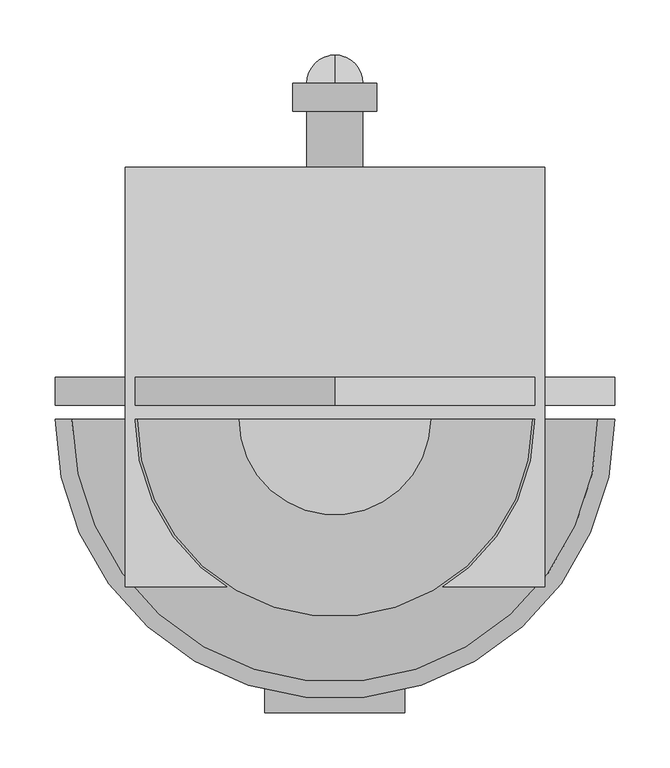
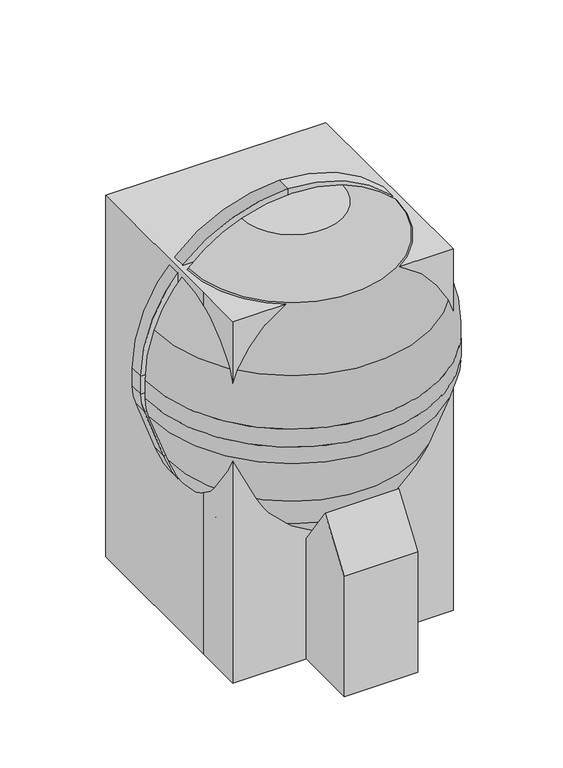
"""IFC4 building model written with IfcOpenShell, lengths in millimetres: proxy geometry."""

from ifc_helpers import new_model, si_unit, point, frame, frame_2d, origin, origin_with_axes, place, context, project, spatial, polyline, circle_curve, ellipse_curve, trimmed, segment, composite_curve, outline, extrude, source, transform, mapped, element, save
from ifc_brep_helpers import plane_surface, cylinder_surface, revolved_surface, advanced_brep


def specialty_equipment_d03767b9(model_context):
    return source(origin(), model_context, "Body", "SolidModel", [
        advanced_brep(
        [(-86.8731164, -38.1, 721.2819257), (0.0, -38.1, 736.6), (0.0, -38.1, 711.2), (-78.1858048, -38.1, 697.4137331), (-161.6446102, -38.1, 644.2446102), (-214.8137331, -38.1, 560.7858048), (-228.6, -38.1, 482.6), (-228.6, -38.1, 449.7148212), (-224.0045777, -38.1, 423.6528863), (-191.7324129, -38.1, 334.9858422), (-158.0533758, -38.1, 270.2890139), (-120.1697426, -38.1, 216.1855786), (-63.2399099, -38.1, 176.3228806), (0.0, -38.1, 159.3777978), (0.0, -38.1, 133.0817829), (-78.7437471, -38.1, 154.1811063), (-135.6735798, -38.1, 194.0438043), (-180.7778621, -38.1, 258.4593951), (-214.4568992, -38.1, 323.1562234), (-247.8727703, -38.1, 414.9655747), (-254.0, -38.1, 449.7148212), (-254.0, -38.1, 482.6), (-238.6819257, -38.1, 569.4731164), (-179.6051224, -38.1, 662.2051224), (86.8731164, -38.1, 721.2819257), (179.6051224, -38.1, 662.2051224), (238.6819257, -38.1, 569.4731164), (254.0, -38.1, 482.6), (254.0, -38.1, 449.7148212), (247.8727703, -38.1, 414.9655747), (214.4568992, -38.1, 323.1562234), (180.7778621, -38.1, 258.4593951), (135.6735798, -38.1, 194.0438043), (78.7437471, -38.1, 154.1811063), (63.2399099, -38.1, 176.3228806), (120.1697426, -38.1, 216.1855786), (158.0533758, -38.1, 270.2890139), (191.7324129, -38.1, 334.9858422), (224.0045777, -38.1, 423.6528863), (228.6, -38.1, 449.7148212), (228.6, -38.1, 482.6), (214.8137331, -38.1, 560.7858048), (161.6446102, -38.1, 644.2446102), (78.1858048, -38.1, 697.4137331)],
        [
            (0, 1, circle_curve(frame((0.0, -38.1, 482.6), z_axis=(0.0, 1.0, 0.0), x_axis=(-1.0, 0.0, 0.0)), 254.0)),
            (1, 2),
            (2, 3, circle_curve(frame((0.0, -38.1, 482.6), z_axis=(0.0, -1.0, 0.0), x_axis=(-1.0, 0.0, 0.0)), 228.6)),
            (3, 4, circle_curve(frame((0.0, -38.1, 482.6), z_axis=(0.0, -1.0, 0.0), x_axis=(-1.0, 0.0, 0.0)), 228.6)),
            (4, 5, circle_curve(frame((0.0, -38.1, 482.6), z_axis=(0.0, -1.0, 0.0), x_axis=(-1.0, 0.0, 0.0)), 228.6)),
            (5, 6, circle_curve(frame((0.0, -38.1, 482.6), z_axis=(0.0, -1.0, 0.0), x_axis=(-1.0, 0.0, 0.0)), 228.6)),
            (6, 7),
            (7, 8, circle_curve(frame((-152.4, -38.1, 449.7148212), z_axis=(0.0, -1.0, 0.0), x_axis=(-1.0, 0.0, 0.0)), 76.2)),
            (8, 9),
            (9, 10, circle_curve(frame((70.8177054, -38.1, 430.5462703), z_axis=(0.0, -1.0, 0.0), x_axis=(-1.0, 0.0, 0.0)), 279.4)),
            (10, 11),
            (11, 12, circle_curve(frame((-36.9438949, -38.1, 274.4609446), z_axis=(0.0, -1.0, 0.0), x_axis=(-1.0, 0.0, 0.0)), 101.6)),
            (12, 13),
            (13, 14),
            (14, 15),
            (15, 16, circle_curve(frame((-52.4477321, -38.1, 252.3191703), z_axis=(0.0, 1.0, 0.0), x_axis=(-1.0, 0.0, 0.0)), 101.6)),
            (16, 17),
            (17, 18, circle_curve(frame((48.0932191, -38.1, 418.7166514), z_axis=(0.0, 1.0, 0.0), x_axis=(-1.0, 0.0, 0.0)), 279.4)),
            (18, 19),
            (19, 20, circle_curve(frame((-152.4, -38.1, 449.7148212), z_axis=(0.0, 1.0, 0.0), x_axis=(-1.0, 0.0, 0.0)), 101.6)),
            (20, 21),
            (21, 22, circle_curve(frame((0.0, -38.1, 482.6), z_axis=(0.0, 1.0, 0.0), x_axis=(-1.0, 0.0, 0.0)), 254.0)),
            (22, 23, circle_curve(frame((0.0, -38.1, 482.6), z_axis=(0.0, 1.0, 0.0), x_axis=(-1.0, 0.0, 0.0)), 254.0)),
            (23, 0, circle_curve(frame((0.0, -38.1, 482.6), z_axis=(0.0, 1.0, 0.0), x_axis=(-1.0, 0.0, 0.0)), 254.0)),
            (24, 25, circle_curve(frame((0.0, -38.1, 482.6), z_axis=(0.0, 1.0, 0.0), x_axis=(1.0, 0.0, 0.0)), 254.0)),
            (25, 26, circle_curve(frame((0.0, -38.1, 482.6), z_axis=(0.0, 1.0, 0.0), x_axis=(1.0, 0.0, 0.0)), 254.0)),
            (26, 27, circle_curve(frame((0.0, -38.1, 482.6), z_axis=(0.0, 1.0, 0.0), x_axis=(1.0, 0.0, 0.0)), 254.0)),
            (27, 28),
            (28, 29, circle_curve(frame((152.4, -38.1, 449.7148212), z_axis=(0.0, 1.0, 0.0), x_axis=(1.0, 0.0, 0.0)), 101.6)),
            (29, 30),
            (30, 31, circle_curve(frame((-48.0932191, -38.1, 418.7166514), z_axis=(0.0, 1.0, 0.0), x_axis=(1.0, 0.0, 0.0)), 279.4)),
            (31, 32),
            (32, 33, circle_curve(frame((52.4477321, -38.1, 252.3191703), z_axis=(0.0, 1.0, 0.0), x_axis=(1.0, 0.0, 0.0)), 101.6)),
            (33, 14),
            (13, 34),
            (34, 35, circle_curve(frame((36.9438949, -38.1, 274.4609446), z_axis=(0.0, -1.0, 0.0), x_axis=(1.0, 0.0, 0.0)), 101.6)),
            (35, 36),
            (36, 37, circle_curve(frame((-70.8177054, -38.1, 430.5462703), z_axis=(0.0, -1.0, 0.0), x_axis=(1.0, 0.0, 0.0)), 279.4)),
            (37, 38),
            (38, 39, circle_curve(frame((152.4, -38.1, 449.7148212), z_axis=(0.0, -1.0, 0.0), x_axis=(1.0, 0.0, 0.0)), 76.2)),
            (39, 40),
            (40, 41, circle_curve(frame((0.0, -38.1, 482.6), z_axis=(0.0, -1.0, 0.0), x_axis=(1.0, 0.0, 0.0)), 228.6)),
            (41, 42, circle_curve(frame((0.0, -38.1, 482.6), z_axis=(0.0, -1.0, 0.0), x_axis=(1.0, 0.0, 0.0)), 228.6)),
            (42, 43, circle_curve(frame((0.0, -38.1, 482.6), z_axis=(0.0, -1.0, 0.0), x_axis=(1.0, 0.0, 0.0)), 228.6)),
            (43, 2, circle_curve(frame((0.0, -38.1, 482.6), z_axis=(0.0, -1.0, 0.0), x_axis=(1.0, 0.0, 0.0)), 228.6)),
            (1, 24, circle_curve(frame((0.0, -38.1, 482.6), z_axis=(0.0, 1.0, 0.0), x_axis=(1.0, 0.0, 0.0)), 254.0)),
            (0, 24, circle_curve(frame((0.0, -38.1, 721.2819257), z_axis=(0.0, 0.0, 1.0), x_axis=(-1.0, 0.0, 0.0)), 86.8731164)),
            (43, 3, circle_curve(frame((0.0, -38.1, 697.4137331), z_axis=(0.0, 0.0, -1.0), x_axis=(-1.0, 0.0, 0.0)), 78.1858048)),
            (42, 4, circle_curve(frame((0.0, -38.1, 644.2446102), z_axis=(0.0, 0.0, -1.0), x_axis=(-1.0, 0.0, 0.0)), 161.6446102)),
            (41, 5, circle_curve(frame((0.0, -38.1, 560.7858048), z_axis=(0.0, 0.0, -1.0), x_axis=(-1.0, 0.0, 0.0)), 214.8137331)),
            (40, 6, circle_curve(frame((0.0, -38.1, 482.6), z_axis=(0.0, 0.0, -1.0), x_axis=(-1.0, 0.0, 0.0)), 228.6)),
            (39, 7, circle_curve(frame((0.0, -38.1, 449.7148212), z_axis=(0.0, 0.0, -1.0), x_axis=(-1.0, 0.0, 0.0)), 228.6)),
            (38, 8, circle_curve(frame((0.0, -38.1, 423.6528863), z_axis=(0.0, 0.0, -1.0), x_axis=(-1.0, 0.0, 0.0)), 224.0045777)),
            (37, 9, circle_curve(frame((0.0, -38.1, 334.9858422), z_axis=(0.0, 0.0, -1.0), x_axis=(-1.0, 0.0, 0.0)), 191.7324129)),
            (36, 10, circle_curve(frame((0.0, -38.1, 270.2890139), z_axis=(0.0, 0.0, -1.0), x_axis=(-1.0, 0.0, 0.0)), 158.0533758)),
            (35, 11, circle_curve(frame((0.0, -38.1, 216.1855786), z_axis=(0.0, 0.0, -1.0), x_axis=(-1.0, 0.0, 0.0)), 120.1697426)),
            (34, 12, circle_curve(frame((0.0, -38.1, 176.3228806), z_axis=(0.0, 0.0, -1.0), x_axis=(-1.0, 0.0, 0.0)), 63.2399099)),
            (33, 15, circle_curve(frame((0.0, -38.1, 154.1811063), z_axis=(0.0, 0.0, -1.0), x_axis=(-1.0, 0.0, 0.0)), 78.7437471)),
            (32, 16, circle_curve(frame((0.0, -38.1, 194.0438043), z_axis=(0.0, 0.0, -1.0), x_axis=(-1.0, 0.0, 0.0)), 135.6735798)),
            (31, 17, circle_curve(frame((0.0, -38.1, 258.4593951), z_axis=(0.0, 0.0, -1.0), x_axis=(-1.0, 0.0, 0.0)), 180.7778621)),
            (30, 18, circle_curve(frame((0.0, -38.1, 323.1562234), z_axis=(0.0, 0.0, -1.0), x_axis=(-1.0, 0.0, 0.0)), 214.4568992)),
            (29, 19, circle_curve(frame((0.0, -38.1, 414.9655747), z_axis=(0.0, 0.0, -1.0), x_axis=(-1.0, 0.0, 0.0)), 247.8727703)),
            (28, 20, circle_curve(frame((0.0, -38.1, 449.7148212), z_axis=(0.0, 0.0, -1.0), x_axis=(-1.0, 0.0, 0.0)), 254.0)),
            (27, 21, circle_curve(frame((0.0, -38.1, 482.6), z_axis=(0.0, 0.0, -1.0), x_axis=(-1.0, 0.0, 0.0)), 254.0)),
            (26, 22, circle_curve(frame((0.0, -38.1, 569.4731164), z_axis=(0.0, 0.0, -1.0), x_axis=(-1.0, 0.0, 0.0)), 238.6819257)),
            (25, 23, circle_curve(frame((0.0, -38.1, 662.2051224), z_axis=(0.0, 0.0, -1.0), x_axis=(-1.0, 0.0, 0.0)), 179.6051224)),
        ],
        [
            plane_surface(frame((0.0, -38.1, 841.8102448), z_axis=(0.0, 1.0, 0.0), x_axis=(-1.0, 0.0, 0.0))),
            plane_surface(frame((0.0, -38.1, 841.8102448), z_axis=(0.0, 1.0, 0.0), x_axis=(1.0, 0.0, 0.0))),
            revolved_surface(trimmed(ellipse_curve(frame((0.0, -38.1, 482.6), z_axis=(0.0, 1.0, 0.0), x_axis=(-1.0, 0.0, 0.0)), 254.0, 254.0), [point((-86.8731164, -38.1, 721.2819257))], [point((0.0, -38.1, 736.6))], True, "CARTESIAN"), (0.0, -38.1, 841.8102448), (0.0, 0.0, 1.0)),
            revolved_surface(trimmed(ellipse_curve(frame((0.0, -38.1, 482.6), z_axis=(0.0, -1.0, 0.0), x_axis=(-1.0, 0.0, 0.0)), 228.6, 228.6), [point((0.0, -38.1, 711.2))], [point((-78.1858048, -38.1, 697.4137331))], True, "CARTESIAN"), (0.0, -38.1, 841.8102448), (0.0, 0.0, 1.0)),
            revolved_surface(trimmed(ellipse_curve(frame((0.0, -38.1, 482.6), z_axis=(0.0, -1.0, 0.0), x_axis=(-1.0, 0.0, 0.0)), 228.6, 228.6), [point((-78.1858048, -38.1, 697.4137331))], [point((-161.6446102, -38.1, 644.2446102))], True, "CARTESIAN"), (0.0, -38.1, 841.8102448), (0.0, 0.0, 1.0)),
            revolved_surface(trimmed(ellipse_curve(frame((0.0, -38.1, 482.6), z_axis=(0.0, -1.0, 0.0), x_axis=(-1.0, 0.0, 0.0)), 228.6, 228.6), [point((-161.6446102, -38.1, 644.2446102))], [point((-214.8137331, -38.1, 560.7858048))], True, "CARTESIAN"), (0.0, -38.1, 841.8102448), (0.0, 0.0, 1.0)),
            revolved_surface(trimmed(ellipse_curve(frame((0.0, -38.1, 482.6), z_axis=(0.0, -1.0, 0.0), x_axis=(-1.0, 0.0, 0.0)), 228.6, 228.6), [point((-214.8137331, -38.1, 560.7858048))], [point((-228.6, -38.1, 482.6))], True, "CARTESIAN"), (0.0, -38.1, 841.8102448), (0.0, 0.0, 1.0)),
            revolved_surface(polyline([(-228.6, -38.1, 482.6), (-228.6, -38.1, 449.7148212)]), (0.0, -38.1, 841.8102448), (0.0, 0.0, 1.0)),
            revolved_surface(trimmed(ellipse_curve(frame((-152.4, -38.1, 449.7148212), z_axis=(0.0, -1.0, 0.0), x_axis=(-1.0, 0.0, 0.0)), 76.2, 76.2), [point((-228.6, -38.1, 449.7148212))], [point((-224.0045777, -38.1, 423.6528863))], True, "CARTESIAN"), (0.0, -38.1, 841.8102448), (0.0, 0.0, 1.0)),
            revolved_surface(polyline([(-224.0045777, -38.1, 423.6528863), (-191.7324129, -38.1, 334.9858422)]), (0.0, -38.1, 841.8102448), (0.0, 0.0, 1.0)),
            revolved_surface(trimmed(ellipse_curve(frame((70.8177054, -38.1, 430.5462703), z_axis=(0.0, -1.0, 0.0), x_axis=(-1.0, 0.0, 0.0)), 279.4, 279.4), [point((-191.7324129, -38.1, 334.9858422))], [point((-158.0533758, -38.1, 270.2890139))], True, "CARTESIAN"), (0.0, -38.1, 841.8102448), (0.0, 0.0, 1.0)),
            revolved_surface(polyline([(-158.0533758, -38.1, 270.2890139), (-120.1697426, -38.1, 216.1855786)]), (0.0, -38.1, 841.8102448), (0.0, 0.0, 1.0)),
            revolved_surface(trimmed(ellipse_curve(frame((-36.9438949, -38.1, 274.4609446), z_axis=(0.0, -1.0, 0.0), x_axis=(-1.0, 0.0, 0.0)), 101.6, 101.6), [point((-120.1697426, -38.1, 216.1855786))], [point((-63.2399099, -38.1, 176.3228806))], True, "CARTESIAN"), (0.0, -38.1, 841.8102448), (0.0, 0.0, 1.0)),
            revolved_surface(polyline([(-63.2399099, -38.1, 176.3228806), (0.0, -38.1, 159.3777978)]), (0.0, -38.1, 841.8102448), (0.0, 0.0, 1.0)),
            revolved_surface(polyline([(0.0, -38.1, 133.0817829), (-78.7437471, -38.1, 154.1811063)]), (0.0, -38.1, 841.8102448), (0.0, 0.0, 1.0)),
            revolved_surface(trimmed(ellipse_curve(frame((-52.4477321, -38.1, 252.3191703), z_axis=(0.0, 1.0, 0.0), x_axis=(-1.0, 0.0, 0.0)), 101.6, 101.6), [point((-78.7437471, -38.1, 154.1811063))], [point((-135.6735798, -38.1, 194.0438043))], True, "CARTESIAN"), (0.0, -38.1, 841.8102448), (0.0, 0.0, 1.0)),
            revolved_surface(polyline([(-135.6735798, -38.1, 194.0438043), (-180.7778621, -38.1, 258.4593951)]), (0.0, -38.1, 841.8102448), (0.0, 0.0, 1.0)),
            revolved_surface(trimmed(ellipse_curve(frame((48.0932191, -38.1, 418.7166514), z_axis=(0.0, 1.0, 0.0), x_axis=(-1.0, 0.0, 0.0)), 279.4, 279.4), [point((-180.7778621, -38.1, 258.4593951))], [point((-214.4568992, -38.1, 323.1562234))], True, "CARTESIAN"), (0.0, -38.1, 841.8102448), (0.0, 0.0, 1.0)),
            revolved_surface(polyline([(-214.4568992, -38.1, 323.1562234), (-247.8727703, -38.1, 414.9655747)]), (0.0, -38.1, 841.8102448), (0.0, 0.0, 1.0)),
            revolved_surface(trimmed(ellipse_curve(frame((-152.4, -38.1, 449.7148212), z_axis=(0.0, 1.0, 0.0), x_axis=(-1.0, 0.0, 0.0)), 101.6, 101.6), [point((-247.8727703, -38.1, 414.9655747))], [point((-254.0, -38.1, 449.7148212))], True, "CARTESIAN"), (0.0, -38.1, 841.8102448), (0.0, 0.0, 1.0)),
            cylinder_surface(frame((0.0, -38.1, 841.8102448), z_axis=(0.0, 0.0, 1.0), x_axis=(-1.0, 0.0, 0.0)), 254.0),
            revolved_surface(trimmed(ellipse_curve(frame((0.0, -38.1, 482.6), z_axis=(0.0, 1.0, 0.0), x_axis=(-1.0, 0.0, 0.0)), 254.0, 254.0), [point((-254.0, -38.1, 482.6))], [point((-238.6819257, -38.1, 569.4731164))], True, "CARTESIAN"), (0.0, -38.1, 841.8102448), (0.0, 0.0, 1.0)),
            revolved_surface(trimmed(ellipse_curve(frame((0.0, -38.1, 482.6), z_axis=(0.0, 1.0, 0.0), x_axis=(-1.0, 0.0, 0.0)), 254.0, 254.0), [point((-238.6819257, -38.1, 569.4731164))], [point((-179.6051224, -38.1, 662.2051224))], True, "CARTESIAN"), (0.0, -38.1, 841.8102448), (0.0, 0.0, 1.0)),
            revolved_surface(trimmed(ellipse_curve(frame((0.0, -38.1, 482.6), z_axis=(0.0, 1.0, 0.0), x_axis=(-1.0, 0.0, 0.0)), 254.0, 254.0), [point((-179.6051224, -38.1, 662.2051224))], [point((-86.8731164, -38.1, 721.2819257))], True, "CARTESIAN"), (0.0, -38.1, 841.8102448), (0.0, 0.0, 1.0)),
        ],
        [
            (0, [[1, 2, 3, 4, 5, 6, 7, 8, 9, 10, 11, 12, 13, 14, 15, 16, 17, 18, 19, 20, 21, 22, 23, 24]]),
            (1, [[25, 26, 27, 28, 29, 30, 31, 32, 33, 34, -14, 35, 36, 37, 38, 39, 40, 41, 42, 43, 44, 45, -2, 46]]),
            (2, [[-1, 47, -46]]),
            (3, [[48, -3, -45]]),
            (4, [[49, -4, -48, -44]]),
            (5, [[50, -5, -49, -43]]),
            (6, [[51, -6, -50, -42]]),
            (7, [[52, -7, -51, -41]]),
            (8, [[53, -8, -52, -40]]),
            (9, [[54, -9, -53, -39]]),
            (10, [[55, -10, -54, -38]]),
            (11, [[56, -11, -55, -37]]),
            (12, [[57, -12, -56, -36]]),
            (13, [[-13, -57, -35]]),
            (14, [[58, -15, -34]]),
            (15, [[59, -16, -58, -33]]),
            (16, [[60, -17, -59, -32]]),
            (17, [[61, -18, -60, -31]]),
            (18, [[62, -19, -61, -30]]),
            (19, [[63, -20, -62, -29]]),
            (20, [[64, -21, -63, -28]]),
            (21, [[65, -22, -64, -27]]),
            (22, [[66, -23, -65, -26]]),
            (23, [[-47, -24, -66, -25]]),
        ],
    ),
        extrude(outline(polyline([(245.0347495, -62.8509631), (194.0438043, -135.6735798), (169.0933226, -110.7230981), (145.0485961, -44.6607552), (145.0485961, 44.6607552), (169.0933226, 110.7230981), (194.0438043, 135.6735798), (245.0347495, 62.8509631), (245.0347495, -62.8509631)])), frame((0.0, -38.1, 0.0), z_axis=(0.0, 1.0, 0.0), x_axis=(0.0, 0.0, 1.0)), (0.0, 0.0, 1.0), 12.7),
        advanced_brep(
        [(-62.8509631, -25.4, 245.0347495), (-135.6735798, -25.4, 194.0438043), (-135.6735798, 0.0, 194.0438043), (-62.8509631, 0.0, 245.0347495), (-107.9552454, -25.4, 309.4503403), (-180.7778621, -25.4, 258.4593951), (-180.7778621, 0.0, 258.4593951), (-107.9552454, 0.0, 309.4503403), (-214.4568992, -25.4, 323.1562234), (-130.9182252, -25.4, 353.5618141), (-214.4568992, 0.0, 323.1562234), (-130.9182252, 0.0, 353.5618141), (-164.3340963, -25.4, 445.3711654), (-247.8727703, -25.4, 414.9655747), (-247.8727703, 0.0, 414.9655747), (-164.3340963, 0.0, 445.3711654), (-254.0, -25.4, 449.7148212), (-165.1, -25.4, 449.7148212), (-254.0, 0.0, 449.7148212), (-165.1, 0.0, 449.7148212), (-165.1, -25.4, 482.6), (-254.0, -25.4, 482.6), (-254.0, 0.0, 482.6), (-165.1, 0.0, 482.6), (0.0, -25.4, 736.6), (0.0, -25.4, 647.7), (0.0, 0.0, 736.6), (0.0, 0.0, 647.7), (254.0, -25.4, 482.6), (165.1, -25.4, 482.6), (254.0, 0.0, 482.6), (165.1, 0.0, 482.6), (165.1, -25.4, 449.7148212), (254.0, -25.4, 449.7148212), (254.0, 0.0, 449.7148212), (165.1, 0.0, 449.7148212), (247.8727703, -25.4, 414.9655747), (164.3340963, -25.4, 445.3711654), (247.8727703, 0.0, 414.9655747), (164.3340963, 0.0, 445.3711654), (130.9182252, -25.4, 353.5618141), (214.4568992, -25.4, 323.1562234), (214.4568992, 0.0, 323.1562234), (130.9182252, 0.0, 353.5618141), (180.7778621, -25.4, 258.4593951), (107.9552454, -25.4, 309.4503403), (180.7778621, 0.0, 258.4593951), (107.9552454, 0.0, 309.4503403), (62.8509631, -25.4, 245.0347495), (62.8509631, 0.0, 245.0347495), (135.6735798, 0.0, 194.0438043), (135.6735798, -25.4, 194.0438043)],
        [
            (0, 1),
            (1, 2),
            (2, 3),
            (3, 0),
            (0, 4),
            (4, 5),
            (5, 1),
            (5, 6),
            (6, 2),
            (6, 7),
            (7, 3),
            (7, 4),
            (8, 5, circle_curve(frame((48.0932191, -25.4, 418.7166514), z_axis=(0.0, -1.0, 0.0), x_axis=(-0.81915204428899, 0.0, -0.5735764363510486)), 279.4)),
            (4, 9, circle_curve(frame((48.0932191, -25.4, 418.7166514), z_axis=(0.0, 1.0, 0.0), x_axis=(-0.81915204428899, 0.0, -0.5735764363510486)), 190.5)),
            (9, 8),
            (10, 6, circle_curve(frame((48.0932191, 0.0, 418.7166514), z_axis=(0.0, -1.0, 0.0), x_axis=(-0.81915204428899, 0.0, -0.5735764363510486)), 279.4)),
            (8, 10),
            (11, 7, circle_curve(frame((48.0932191, 0.0, 418.7166514), z_axis=(0.0, -1.0, 0.0), x_axis=(-0.81915204428899, 0.0, -0.5735764363510486)), 190.5)),
            (10, 11),
            (11, 9),
            (9, 12),
            (12, 13),
            (13, 8),
            (13, 14),
            (14, 10),
            (14, 15),
            (15, 11),
            (15, 12),
            (16, 13, circle_curve(frame((-152.4, -25.4, 449.7148212), z_axis=(0.0, -1.0, 0.0), x_axis=(-0.9396926207859067, 0.0, -0.3420201433256736)), 101.6)),
            (12, 17, circle_curve(frame((-152.4, -25.4, 449.7148212), z_axis=(0.0, 1.0, 0.0), x_axis=(-0.9396926207859067, 0.0, -0.3420201433256736)), 12.7)),
            (17, 16),
            (18, 14, circle_curve(frame((-152.4, 0.0, 449.7148212), z_axis=(0.0, -1.0, 0.0), x_axis=(-0.9396926207859067, 0.0, -0.3420201433256736)), 101.6)),
            (16, 18),
            (19, 15, circle_curve(frame((-152.4, 0.0, 449.7148212), z_axis=(0.0, -1.0, 0.0), x_axis=(-0.9396926207859067, 0.0, -0.3420201433256736)), 12.7)),
            (18, 19),
            (19, 17),
            (17, 20),
            (20, 21),
            (21, 16),
            (21, 22),
            (22, 18),
            (22, 23),
            (23, 19),
            (23, 20),
            (24, 21, circle_curve(frame((0.0, -25.4, 482.6), z_axis=(0.0, -1.0, 0.0), x_axis=(-1.0, 0.0, 0.0)), 254.0)),
            (20, 25, circle_curve(frame((0.0, -25.4, 482.6), z_axis=(0.0, 1.0, 0.0), x_axis=(-1.0, 0.0, 0.0)), 165.1)),
            (25, 24),
            (26, 22, circle_curve(frame((0.0, 0.0, 482.6), z_axis=(0.0, -1.0, 0.0), x_axis=(-1.0, 0.0, 0.0)), 254.0)),
            (24, 26),
            (27, 23, circle_curve(frame((0.0, 0.0, 482.6), z_axis=(0.0, -1.0, 0.0), x_axis=(-1.0, 0.0, 0.0)), 165.1)),
            (26, 27),
            (27, 25),
            (28, 24, circle_curve(frame((0.0, -25.4, 482.6), z_axis=(0.0, -1.0, 0.0), x_axis=(0.0, 0.0, 1.0)), 254.0)),
            (25, 29, circle_curve(frame((0.0, -25.4, 482.6), z_axis=(0.0, 1.0, 0.0), x_axis=(0.0, 0.0, 1.0)), 165.1)),
            (29, 28),
            (30, 26, circle_curve(frame((0.0, 0.0, 482.6), z_axis=(0.0, -1.0, 0.0), x_axis=(0.0, 0.0, 1.0)), 254.0)),
            (28, 30),
            (31, 27, circle_curve(frame((0.0, 0.0, 482.6), z_axis=(0.0, -1.0, 0.0), x_axis=(0.0, 0.0, 1.0)), 165.1)),
            (30, 31),
            (31, 29),
            (29, 32),
            (32, 33),
            (33, 28),
            (33, 34),
            (34, 30),
            (34, 35),
            (35, 31),
            (35, 32),
            (36, 33, circle_curve(frame((152.4, -25.4, 449.7148212), z_axis=(0.0, -1.0, 0.0), x_axis=(1.0, 0.0, 0.0)), 101.6)),
            (32, 37, circle_curve(frame((152.4, -25.4, 449.7148212), z_axis=(0.0, 1.0, 0.0), x_axis=(1.0, 0.0, 0.0)), 12.7)),
            (37, 36),
            (38, 34, circle_curve(frame((152.4, 0.0, 449.7148212), z_axis=(0.0, -1.0, 0.0), x_axis=(1.0, 0.0, 0.0)), 101.6)),
            (36, 38),
            (39, 35, circle_curve(frame((152.4, 0.0, 449.7148212), z_axis=(0.0, -1.0, 0.0), x_axis=(1.0, 0.0, 0.0)), 12.7)),
            (38, 39),
            (39, 37),
            (37, 40),
            (40, 41),
            (41, 36),
            (41, 42),
            (42, 38),
            (42, 43),
            (43, 39),
            (43, 40),
            (44, 41, circle_curve(frame((-48.0932191, -25.4, 418.7166514), z_axis=(0.0, -1.0, 0.0), x_axis=(0.9396926207859088, 0.0, -0.34202014332566766)), 279.4)),
            (40, 45, circle_curve(frame((-48.0932191, -25.4, 418.7166514), z_axis=(0.0, 1.0, 0.0), x_axis=(0.9396926207859088, 0.0, -0.34202014332566766)), 190.5)),
            (45, 44),
            (46, 42, circle_curve(frame((-48.0932191, 0.0, 418.7166514), z_axis=(0.0, -1.0, 0.0), x_axis=(0.9396926207859088, 0.0, -0.34202014332566766)), 279.4)),
            (44, 46),
            (47, 43, circle_curve(frame((-48.0932191, 0.0, 418.7166514), z_axis=(0.0, -1.0, 0.0), x_axis=(0.9396926207859088, 0.0, -0.34202014332566766)), 190.5)),
            (46, 47),
            (47, 45),
            (48, 49),
            (49, 50),
            (50, 51),
            (51, 48),
            (45, 48),
            (51, 44),
            (50, 46),
            (49, 47),
        ],
        [
            plane_surface(frame((-135.6735798, -134.8203184, 194.0438043), z_axis=(0.5735764363510432, 0.0, -0.8191520442889938), x_axis=(0.8191520442889938, 0.0, 0.5735764363510432))),
            plane_surface(frame((-62.8509631, -25.4, 245.0347495), z_axis=(0.0, -1.0, 0.0), x_axis=(-0.5735764363510427, 0.0, 0.8191520442889941))),
            plane_surface(frame((-135.6735798, -25.4, 194.0438043), z_axis=(-0.819152044288994, 0.0, -0.5735764363510429), x_axis=(-0.5735764363510429, 0.0, 0.819152044288994))),
            plane_surface(frame((-135.6735798, 0.0, 194.0438043), z_axis=(0.0, 1.0000000000000002, 0.0), x_axis=(-0.5735764363510432, 0.0, 0.8191520442889939))),
            plane_surface(frame((-62.8509631, 0.0, 245.0347495), z_axis=(0.8191520442889939, 0.0, 0.5735764363510432), x_axis=(-0.5735764363510432, 0.0, 0.8191520442889939))),
            plane_surface(frame((48.0932191, -25.4, 418.7166514), z_axis=(0.0, -1.0, 0.0), x_axis=(-0.81915204428899, 0.0, -0.5735764363510486))),
            cylinder_surface(frame((48.0932191, -38.1, 418.7166514), z_axis=(0.0, 1.0, 0.0), x_axis=(-0.81915204428899, 0.0, -0.5735764363510486)), 279.4),
            plane_surface(frame((48.0932191, 0.0, 418.7166514), z_axis=(0.0, 1.0, 0.0), x_axis=(-0.81915204428899, 0.0, -0.5735764363510486))),
            revolved_surface(polyline([(-107.95524533705259, 0.0, 309.4503402751252), (-107.95524533705259, -25.4, 309.4503402751252)]), (48.0932191, -38.1, 418.7166514), (0.0, 1.0, 0.0)),
            plane_surface(frame((-130.9182252, -25.4, 353.5618141), z_axis=(0.0, -1.0, 0.0), x_axis=(-0.34202014332566844, 0.0, 0.9396926207859085))),
            plane_surface(frame((-214.4568992, -25.4, 323.1562234), z_axis=(-0.9396926207859086, 0.0, -0.3420201433256682), x_axis=(-0.3420201433256682, 0.0, 0.9396926207859086))),
            plane_surface(frame((-214.4568992, 0.0, 323.1562234), z_axis=(0.0, 1.0, 0.0), x_axis=(-0.34202014332566905, 0.0, 0.9396926207859083))),
            plane_surface(frame((-130.9182252, 0.0, 353.5618141), z_axis=(0.9396926207859085, 0.0, 0.34202014332566827), x_axis=(-0.34202014332566827, 0.0, 0.9396926207859085))),
            plane_surface(frame((-152.4, -25.4, 449.7148212), z_axis=(0.0, -1.0, 0.0), x_axis=(-0.9396926207859067, 0.0, -0.3420201433256736))),
            cylinder_surface(frame((-152.4, -38.1, 449.7148212), z_axis=(0.0, 1.0, 0.0), x_axis=(-0.9396926207859067, 0.0, -0.3420201433256736)), 101.6),
            plane_surface(frame((-152.4, 0.0, 449.7148212), z_axis=(0.0, 1.0, 0.0), x_axis=(-0.9396926207859067, 0.0, -0.3420201433256736))),
            revolved_surface(polyline([(-164.334096283981, 0.0, 445.37116537976397), (-164.334096283981, -25.4, 445.37116537976397)]), (-152.4, -38.1, 449.7148212), (0.0, 1.0, 0.0)),
            plane_surface(frame((-165.1, -25.4, 449.7148212), z_axis=(0.0, -1.0, 0.0), x_axis=(0.0, 0.0, 1.0))),
            plane_surface(frame((-254.0, -25.4, 449.7148212), z_axis=(-1.0, 0.0, 0.0), x_axis=(0.0, 0.0, 1.0))),
            plane_surface(frame((-254.0, 0.0, 449.7148212), z_axis=(0.0, 1.0, 0.0), x_axis=(0.0, 0.0, 1.0))),
            plane_surface(frame((-165.1, 0.0, 449.7148212), z_axis=(1.0, 0.0, 0.0), x_axis=(0.0, 0.0, 1.0))),
            plane_surface(frame((0.0, -25.4, 482.6), z_axis=(0.0, -1.0, 0.0), x_axis=(-1.0, 0.0, 0.0))),
            cylinder_surface(frame((0.0, -38.1, 482.6), z_axis=(0.0, 1.0, 0.0), x_axis=(-1.0, 0.0, 0.0)), 254.0),
            plane_surface(frame((0.0, 0.0, 482.6), z_axis=(0.0, 1.0, 0.0), x_axis=(-1.0, 0.0, 0.0))),
            revolved_surface(polyline([(-165.1, 0.0, 482.6), (-165.1, -25.4, 482.6)]), (0.0, -38.1, 482.6), (0.0, 1.0, 0.0)),
            plane_surface(frame((0.0, -25.4, 482.6), z_axis=(0.0, -1.0, 0.0), x_axis=(0.0, 0.0, 1.0))),
            cylinder_surface(frame((0.0, -38.1, 482.6), z_axis=(0.0, 1.0, 0.0), x_axis=(0.0, 0.0, 1.0)), 254.0),
            plane_surface(frame((0.0, 0.0, 482.6), z_axis=(0.0, 1.0, 0.0), x_axis=(0.0, 0.0, 1.0))),
            revolved_surface(polyline([(0.0, 0.0, 647.7), (0.0, -25.4, 647.7)]), (0.0, -38.1, 482.6), (0.0, 1.0, 0.0)),
            plane_surface(frame((165.1, -25.4, 482.6), z_axis=(0.0, -1.0, 0.0), x_axis=(0.0, 0.0, -1.0))),
            plane_surface(frame((254.0, -25.4, 482.6), z_axis=(1.0, 0.0, 0.0), x_axis=(0.0, 0.0, -1.0))),
            plane_surface(frame((254.0, 0.0, 482.6), z_axis=(0.0, 1.0, 0.0), x_axis=(0.0, 0.0, -1.0))),
            plane_surface(frame((165.1, 0.0, 482.6), z_axis=(-1.0, 0.0, 0.0), x_axis=(0.0, 0.0, -1.0))),
            plane_surface(frame((152.4, -25.4, 449.7148212), z_axis=(0.0, -1.0, 0.0), x_axis=(1.0, 0.0, 0.0))),
            cylinder_surface(frame((152.4, -38.1, 449.7148212), z_axis=(0.0, 1.0, 0.0), x_axis=(1.0, 0.0, 0.0)), 101.6),
            plane_surface(frame((152.4, 0.0, 449.7148212), z_axis=(0.0, 1.0, 0.0), x_axis=(1.0, 0.0, 0.0))),
            revolved_surface(polyline([(165.1, 0.0, 449.7148212), (165.1, -25.4, 449.7148212)]), (152.4, -38.1, 449.7148212), (0.0, 1.0, 0.0)),
            plane_surface(frame((164.3340963, -25.4, 445.3711654), z_axis=(0.0, -1.0000000000000002, 0.0), x_axis=(-0.3420201433256679, 0.0, -0.9396926207859088))),
            plane_surface(frame((247.8727703, -25.4, 414.9655747), z_axis=(0.9396926207859088, 0.0, -0.34202014332566794), x_axis=(-0.34202014332566794, 0.0, -0.9396926207859088))),
            plane_surface(frame((247.8727703, 0.0, 414.9655747), z_axis=(0.0, 1.0000000000000002, 0.0), x_axis=(-0.3420201433256676, 0.0, -0.9396926207859089))),
            plane_surface(frame((164.3340963, 0.0, 445.3711654), z_axis=(-0.939692620785909, 0.0, 0.34202014332566727), x_axis=(-0.34202014332566727, 0.0, -0.939692620785909))),
            plane_surface(frame((-48.0932191, -25.4, 418.7166514), z_axis=(0.0, -1.0, 0.0), x_axis=(0.9396926207859088, 0.0, -0.34202014332566766))),
            cylinder_surface(frame((-48.0932191, -38.1, 418.7166514), z_axis=(0.0, 1.0, 0.0), x_axis=(0.9396926207859088, 0.0, -0.34202014332566766)), 279.4),
            plane_surface(frame((-48.0932191, 0.0, 418.7166514), z_axis=(0.0, 1.0, 0.0), x_axis=(0.9396926207859088, 0.0, -0.34202014332566766))),
            revolved_surface(polyline([(130.91822515971563, 0.0, 353.5618140964603), (130.91822515971563, -25.4, 353.5618140964603)]), (-48.0932191, -38.1, 418.7166514), (0.0, 1.0, 0.0)),
            plane_surface(frame((135.6735798, 58.6203184, 194.0438043), z_axis=(-0.5735764363510469, 0.0, -0.8191520442889912), x_axis=(0.8191520442889912, 0.0, -0.5735764363510469))),
            plane_surface(frame((107.9552454, -25.4, 309.4503403), z_axis=(0.0, -1.0, 0.0), x_axis=(-0.5735764363510469, 0.0, -0.8191520442889912))),
            plane_surface(frame((180.7778621, -25.4, 258.4593951), z_axis=(0.8191520442889912, 0.0, -0.5735764363510469), x_axis=(-0.5735764363510469, 0.0, -0.8191520442889912))),
            plane_surface(frame((180.7778621, 0.0, 258.4593951), z_axis=(0.0, 1.0, 0.0), x_axis=(-0.5735764363510466, 0.0, -0.8191520442889915))),
            plane_surface(frame((107.9552454, 0.0, 309.4503403), z_axis=(-0.8191520442889916, 0.0, 0.5735764363510465), x_axis=(-0.5735764363510465, 0.0, -0.8191520442889916))),
        ],
        [
            (0, [[1, 2, 3, 4]]),
            (1, [[-1, 5, 6, 7]]),
            (2, [[-2, -7, 8, 9]]),
            (3, [[-3, -9, 10, 11]]),
            (4, [[-4, -11, 12, -5]]),
            (5, [[13, -6, 14, 15]]),
            (6, [[16, -8, -13, 17]]),
            (7, [[18, -10, -16, 19]]),
            (8, [[-14, -12, -18, 20]]),
            (9, [[-15, 21, 22, 23]]),
            (10, [[-17, -23, 24, 25]]),
            (11, [[-19, -25, 26, 27]]),
            (12, [[-20, -27, 28, -21]]),
            (13, [[29, -22, 30, 31]]),
            (14, [[32, -24, -29, 33]]),
            (15, [[34, -26, -32, 35]]),
            (16, [[-30, -28, -34, 36]]),
            (17, [[-31, 37, 38, 39]]),
            (18, [[-33, -39, 40, 41]]),
            (19, [[-35, -41, 42, 43]]),
            (20, [[-36, -43, 44, -37]]),
            (21, [[45, -38, 46, 47]]),
            (22, [[48, -40, -45, 49]]),
            (23, [[50, -42, -48, 51]]),
            (24, [[-46, -44, -50, 52]]),
            (25, [[53, -47, 54, 55]]),
            (26, [[56, -49, -53, 57]]),
            (27, [[58, -51, -56, 59]]),
            (28, [[-54, -52, -58, 60]]),
            (29, [[-55, 61, 62, 63]]),
            (30, [[-57, -63, 64, 65]]),
            (31, [[-59, -65, 66, 67]]),
            (32, [[-60, -67, 68, -61]]),
            (33, [[69, -62, 70, 71]]),
            (34, [[72, -64, -69, 73]]),
            (35, [[74, -66, -72, 75]]),
            (36, [[-70, -68, -74, 76]]),
            (37, [[-71, 77, 78, 79]]),
            (38, [[-73, -79, 80, 81]]),
            (39, [[-75, -81, 82, 83]]),
            (40, [[-76, -83, 84, -77]]),
            (41, [[85, -78, 86, 87]]),
            (42, [[88, -80, -85, 89]]),
            (43, [[90, -82, -88, 91]]),
            (44, [[-86, -84, -90, 92]]),
            (45, [[93, 94, 95, 96]]),
            (46, [[-87, 97, -96, 98]]),
            (47, [[-89, -98, -95, 99]]),
            (48, [[-91, -99, -94, 100]]),
            (49, [[-92, -100, -93, -97]]),
        ],
    ),
        advanced_brep(
        [(0.0, 266.7, 44.9176912), (0.0, 266.7, 96.1528563), (0.0, 292.3175826, 70.5352737), (0.0, 266.7, 70.5352737)],
        [
            (0, 1, circle_curve(frame((0.0, 266.7, 70.5352737), z_axis=(0.0, 1.0, 0.0), x_axis=(0.0, 0.0, 1.0)), 25.6175826)),
            (1, 2, circle_curve(frame((0.0, 266.7, 70.5352737), z_axis=(-1.0, 0.0, 0.0), x_axis=(0.0, 0.0, -1.0)), 25.6175826)),
            (2, 0, circle_curve(frame((0.0, 266.7, 70.5352737), z_axis=(-1.0, 0.0, 0.0), x_axis=(0.0, 0.0, 1.0)), 25.6175826)),
            (1, 0, circle_curve(frame((0.0, 266.7, 70.5352737), z_axis=(0.0, 1.0, 0.0), x_axis=(0.0, 0.0, 1.0)), 25.6175826)),
            (3, 1),
            (0, 3),
        ],
        [
            revolved_surface(trimmed(ellipse_curve(frame((0.0, 266.7, 70.5352737), z_axis=(1.0, 0.0, 0.0), x_axis=(0.0, 0.0, -1.0)), 25.6175826, 25.6175826), [point((0.0, 292.3175826, 70.5352737))], [point((0.0, 266.7, 96.1528563))], True, "CARTESIAN"), (0.0, 331.3277273, 70.5352737), (0.0, -1.0, 0.0)),
            plane_surface(frame((0.0, 266.7, 70.5352737), z_axis=(0.0, -1.0, 0.0), x_axis=(0.0, 0.0, 1.0))),
        ],
        [
            (0, [[1, 2, 3]]),
            (0, [[4, -3, -2]]),
            (1, [[5, -1, 6]]),
            (1, [[-6, -4, -5]]),
        ],
    ),
        extrude(outline(composite_curve([segment(trimmed(circle_curve(frame_2d((70.5352737, 0.0)), 38.1), [point((70.5352737, 38.1))], [point((70.5352737, -38.1))], False, "CARTESIAN"), True, "CONTINUOUS"), segment(trimmed(circle_curve(frame_2d((70.5352737, 0.0)), 38.1), [point((70.5352737, -38.1))], [point((70.5352737, 38.1))], False, "CARTESIAN"), True, "CONTINUOUS")], self_intersect=False)), frame((0.0, 241.3, 0.0), z_axis=(0.0, 1.0, 0.0), x_axis=(0.0, 0.0, 1.0)), (0.0, 0.0, 1.0), 25.4),
        extrude(outline(composite_curve([segment(trimmed(circle_curve(frame_2d((0.0, 163.2113641)), 25.4), [point((25.4, 163.2113641))], [point((-25.4, 163.2113641))], False, "CARTESIAN"), True, "CONTINUOUS"), segment(trimmed(circle_curve(frame_2d((0.0, 163.2113641)), 25.4), [point((-25.4, 163.2113641))], [point((25.4, 163.2113641))], False, "CARTESIAN"), True, "CONTINUOUS")], self_intersect=False)), frame((0.0, 0.0, 37.30625), z_axis=(0.0, 0.0, 1.0), x_axis=(1.0, 0.0, 0.0)), (0.0, 0.0, 1.0), 70.64375),
        extrude(outline(composite_curve([segment(trimmed(circle_curve(frame_2d((70.5352737, 0.0)), 25.4), [point((70.5352737, 25.4))], [point((70.5352737, -25.4))], False, "CARTESIAN"), True, "CONTINUOUS"), segment(trimmed(circle_curve(frame_2d((70.5352737, 0.0)), 25.4), [point((70.5352737, -25.4))], [point((70.5352737, 25.4))], False, "CARTESIAN"), True, "CONTINUOUS")], self_intersect=False)), frame((0.0, -38.1, 0.0), z_axis=(0.0, 1.0, 0.0), x_axis=(0.0, 0.0, 1.0)), (0.0, 0.0, 1.0), 279.4),
        extrude(outline(polyline([(-38.1, 152.8037941), (-38.1, 0.0), (-304.8, 0.0), (-304.8, 220.0454017), (-246.9671412, 300.5426282), (-174.1229337, 196.5103185), (-111.703548, 152.8037941), (-38.1, 152.8037941)])), frame((-63.5, 0.0, 0.0), z_axis=(1.0, 0.0, 0.0), x_axis=(0.0, 1.0, 0.0)), (0.0, 0.0, 1.0), 127.0),
        extrude(outline(polyline([(-190.5, 190.5), (190.5, 190.5), (190.5, -190.5), (-190.5, -190.5), (-190.5, -101.6), (-190.5, 190.5)])), origin_with_axes(), (0.0, 0.0, 1.0), 660.4),
    ])


if __name__ == "__main__":
    model = new_model("IFC4")
    model_context = context("Model", 3, world=origin())
    ifc_project = project(units=[si_unit("LENGTHUNIT", "METRE", prefix="MILLI")], contexts=[model_context])
    site = spatial("IfcSite", under=ifc_project)
    building = spatial("IfcBuilding", under=site)
    placement = place(None, origin())
    specialty_equipment_shape = specialty_equipment_d03767b9(model_context)
    element("IfcBuildingElementProxy", 1, Name="Specialty Equipment", at=placement, inside=building, context=model_context, shape_type="MappedRepresentation", body=[
        mapped(specialty_equipment_shape, transform((0.0, 0.0, 0.0), x_axis=(1.0, 0.0, 0.0), y_axis=(0.0, 1.0, 0.0), z_axis=(0.0, 0.0, 1.0))),
    ])
    save(model, "model.ifc")
